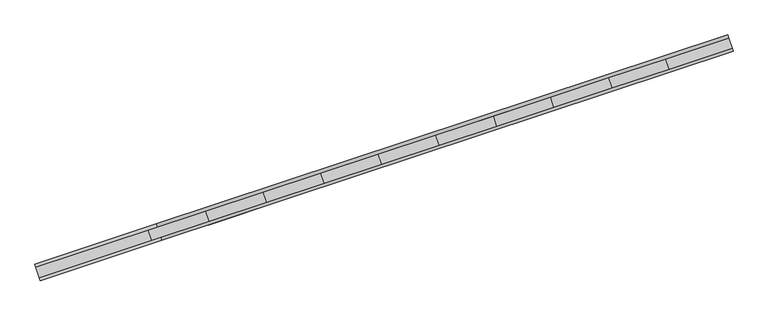
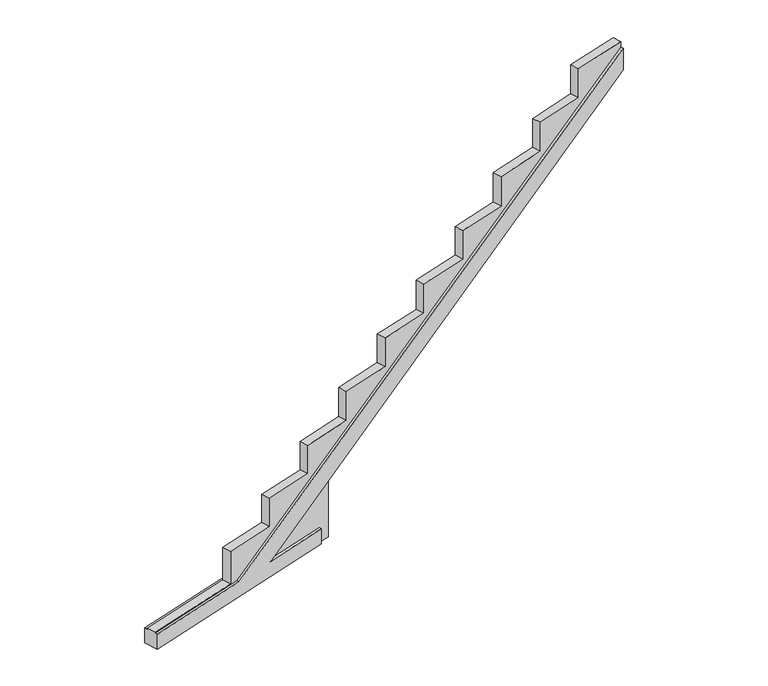
"""IFC4 building model written with IfcOpenShell, lengths in millimetres: beam geometry."""

from ifc_helpers import new_model, si_unit, origin, place, context, project, spatial, faceted_brep, source, transform, mapped, element, save


def beam_e93314d2(model_context):
    return source(origin(), model_context, "Body", "Brep", [
        faceted_brep([(116303.0343822, 99474.981502, -309.125), (116303.0343822, 99474.981502, -101.4737243), (115467.9421387, 99198.6632791, -101.4737243), (121230.4392291, 101105.378337, 3601.3888764), (121230.4392291, 101105.378337, 3900.9492225), (114958.7576204, 99030.1825367, -101.4737243), (113624.7999119, 98588.7979755, -101.4737243), (113624.7999119, 98588.7979755, -309.125), (116243.3960541, 99655.2211717, -309.125), (113565.1615838, 98769.0376452, -309.125), (113565.1615838, 98769.0376452, -101.4737243), (114899.1192923, 99210.4222063, -101.4737243), (121170.800901, 101285.6180067, 3900.9492225), (121170.800901, 101285.6180067, 3601.3888764), (115408.3038106, 99378.9029488, -101.4737243), (116243.3960541, 99655.2211717, -101.4737243), (116255.2997422, 99619.2457029, -309.125), (116403.2568501, 99668.2022648, -309.125), (116440.0527923, 99556.9971275, -309.125), (116292.0956844, 99508.0405655, -309.125), (113613.8612141, 98621.857039, -101.4737243), (113613.8612141, 98621.857039, -91.4737243), (113577.0652719, 98733.0621764, -91.4737243), (113577.0652719, 98733.0621764, -101.4737243), (114947.8189226, 99063.2416002, -101.4737243), (114911.0229804, 99174.4467375, -101.4737243), (121182.7045891, 101249.6425379, 3900.9492225), (121182.7045891, 101249.6425379, 3977.5116193), (121219.5005313, 101138.4374006, 3977.5116193), (121219.5005313, 101138.4374006, 3900.9492225), (115457.0034409, 99231.7223427, -101.4737243), (116440.0527923, 99556.9971275, 530.2136538), (116403.2568501, 99668.2022648, 530.2136538), (115420.2074987, 99342.92748, -101.4737243), (116292.0956844, 99508.0405655, -101.4737243), (116255.2997422, 99619.2457029, -101.4737243), (120528.2989014, 100909.7302038, 3977.5116193), (120528.2989014, 100909.7302038, 3572.5728422), (119904.7747918, 100703.4163802, 3572.5728422), (119904.7747918, 100703.4163802, 3168.8243174), (119263.8542074, 100491.3463504, 3168.8243174), (119263.8542074, 100491.3463504, 2758.3745723), (118637.198598, 100283.9963652, 2758.3745723), (118637.198598, 100283.9963652, 2362.9766577), (118002.5905063, 100074.015035, 2362.9766577), (118002.5905063, 100074.015035, 1952.5269125), (117371.1634076, 99865.0862428, 1952.5269125), (117371.1634076, 99865.0862428, 1553.804303), (116739.7610554, 99656.1656388, 1553.804303), (116739.7610554, 99656.1656388, 1150.0557782), (116109.8997065, 99447.7549274, 1150.0557782), (116109.8997065, 99447.7549274, 752.9825585), (115478.4726077, 99238.8261352, 752.9825585), (115478.4726077, 99238.8261352, 366.0129997), (114847.0455089, 99029.8973429, 366.0129997), (114847.0455089, 99029.8973429, -91.4737243), (114810.2495667, 99141.1024803, -91.4737243), (114810.2495667, 99141.1024803, 366.0129997), (115441.6766655, 99350.0312725, 366.0129997), (115441.6766655, 99350.0312725, 752.9825585), (116073.1037643, 99558.9600647, 752.9825585), (116073.1037643, 99558.9600647, 1150.0557782), (116702.9651132, 99767.3707761, 1150.0557782), (116702.9651132, 99767.3707761, 1553.804303), (117334.3674654, 99976.2913801, 1553.804303), (117334.3674654, 99976.2913801, 1952.5269125), (117965.7945641, 100185.2201723, 1952.5269125), (117965.7945641, 100185.2201723, 2362.9766577), (118600.4026558, 100395.2015025, 2362.9766577), (118600.4026558, 100395.2015025, 2758.3745723), (119227.0582652, 100602.5514878, 2758.3745723), (119227.0582652, 100602.5514878, 3168.8243174), (119867.9788497, 100814.6215175, 3168.8243174), (119867.9788497, 100814.6215175, 3572.5728422), (120491.5029592, 101020.9353412, 3572.5728422), (120491.5029592, 101020.9353412, 3977.5116193)], [[[0, 1, 2, 3, 4, 5, 6, 7]], [[8, 9, 10, 11, 12, 13, 14, 15]], [[0, 7, 9, 8, 16, 17, 18, 19]], [[9, 7, 6, 20, 21, 22, 23, 10]], [[6, 5, 24, 20]], [[11, 10, 23, 25]], [[4, 3, 13, 12, 26, 27, 28, 29]], [[3, 2, 30, 31, 32, 33, 14, 13]], [[2, 1, 34, 30]], [[15, 14, 33, 35]], [[1, 0, 19, 34]], [[8, 15, 35, 16]], [[19, 18, 31, 30, 34]], [[28, 36, 37, 38, 39, 40, 41, 42, 43, 44, 45, 46, 47, 48, 49, 50, 51, 52, 53, 54, 55, 21, 20, 24, 29]], [[17, 16, 35, 33, 32]], [[22, 56, 57, 58, 59, 60, 61, 62, 63, 64, 65, 66, 67, 68, 69, 70, 71, 72, 73, 74, 75, 27, 26, 25, 23]], [[18, 17, 32, 31]], [[21, 55, 56, 22]], [[55, 54, 57, 56]], [[54, 53, 58, 57]], [[53, 52, 59, 58]], [[52, 51, 60, 59]], [[51, 50, 61, 60]], [[50, 49, 62, 61]], [[49, 48, 63, 62]], [[48, 47, 64, 63]], [[47, 46, 65, 64]], [[46, 45, 66, 65]], [[45, 44, 67, 66]], [[44, 43, 68, 67]], [[43, 42, 69, 68]], [[42, 41, 70, 69]], [[41, 40, 71, 70]], [[40, 39, 72, 71]], [[39, 38, 73, 72]], [[38, 37, 74, 73]], [[37, 36, 75, 74]], [[36, 28, 27, 75]], [[5, 4, 29, 24]], [[12, 11, 25, 26]]]),
    ])


if __name__ == "__main__":
    model = new_model("IFC4")
    model_context = context("Model", 3, world=origin())
    ifc_project = project(units=[si_unit("LENGTHUNIT", "METRE", prefix="MILLI")], contexts=[model_context])
    site = spatial("IfcSite", under=ifc_project)
    building = spatial("IfcBuilding", under=site)
    placement = place(None, origin())
    beam_shape = beam_e93314d2(model_context)
    element("IfcBeam", 1, at=placement, inside=building, context=model_context, shape_type="MappedRepresentation", body=[
        mapped(beam_shape, transform((0.0, 0.0, 0.0), x_axis=(1.0, 0.0, 0.0), y_axis=(0.0, 1.0, 0.0), z_axis=(0.0, 0.0, 1.0))),
    ])
    save(model, "model.ifc")
